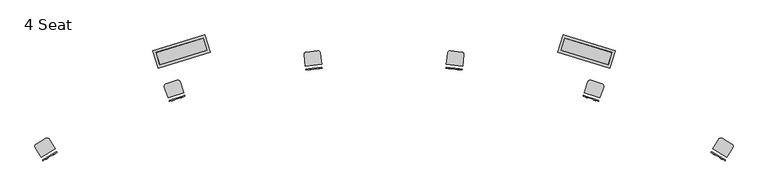
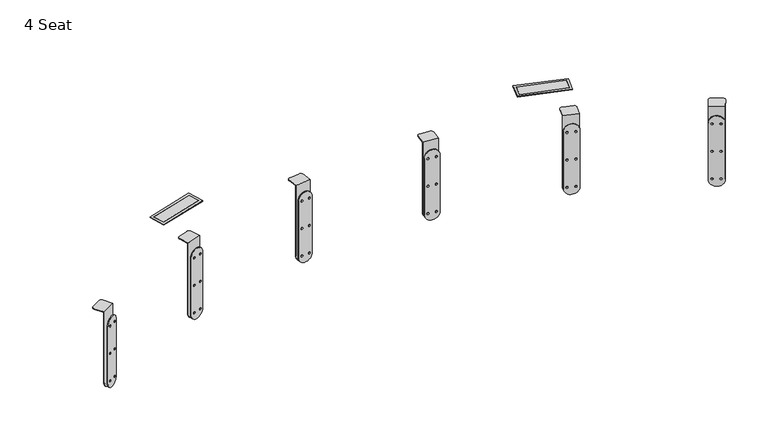
"""IFC4 building model written with IfcOpenShell, lengths in millimetres: furniture geometry, 4 Seat."""

from ifc_helpers import new_model, si_unit, point, frame, frame_2d, origin, place, context, project, spatial, polyline, circle_curve, trimmed, segment, composite_curve, outline, extrude, source, transform, mapped, element, save
from ifc_brep_helpers import plane_surface, cylinder_surface, advanced_brep


def furniture_4_seat_829769fd(model_context):
    return source(origin(), model_context, "Body", "SolidModel", [
        advanced_brep(
        [(1327.017289, -324.4928006, 399.2581955), (1327.017289, -324.4928006, 718.2448038), (1272.4432158, -292.0284585, 718.2448038), (1272.4432158, -292.0284585, 399.2581955), (1273.8716446, -289.6272032, 399.2581955), (1273.8716446, -289.6272032, 715.7048038), (1328.4457178, -322.0915452, 715.7048038), (1328.4457178, -322.0915452, 399.2581955), (1294.6487901, -254.6998525, 718.2448038), (1294.6487901, -254.6998525, 715.7048038), (1349.2228633, -287.1641946, 715.7048038), (1349.2228633, -287.1641946, 718.2448038), (1345.685312, -273.2380705, 718.2448038), (1308.5749141, -251.1623012, 718.2448038), (1308.5749141, -251.1623012, 715.7048038), (1345.685312, -273.2380705, 715.7048038)],
        [
            (0, 1),
            (1, 2),
            (2, 3),
            (3, 0, circle_curve(frame((1299.7302524, -308.2606296, 399.2581955), z_axis=(-0.5112486592740495, -0.8594328411170282, 0.0), x_axis=(-0.8594328411170282, 0.5112486592740495, 0.0)), 31.7500511)),
            (4, 5),
            (5, 6),
            (6, 7),
            (7, 4, circle_curve(frame((1301.1586812, -305.8593742, 399.2581955), z_axis=(0.5112486592740495, 0.8594328411170282, 0.0), x_axis=(-0.8594328411170282, 0.5112486592740495, 0.0)), 31.7500511)),
            (3, 4),
            (7, 0),
            (2, 8),
            (8, 9),
            (9, 5),
            (6, 10),
            (10, 11),
            (11, 1),
            (11, 12, circle_curve(frame((1340.4910256, -281.9699082, 718.2448038), z_axis=(0.0, 0.0, 1.0), x_axis=(-0.8594328411170282, 0.5112486592740495, 0.0)), 10.16)),
            (12, 13),
            (13, 8, circle_curve(frame((1303.3806278, -259.8941389, 718.2448038), z_axis=(0.0, 0.0, 1.0), x_axis=(-0.8594328411170282, 0.5112486592740495, 0.0)), 10.16)),
            (9, 14, circle_curve(frame((1303.3806278, -259.8941389, 715.7048038), z_axis=(0.0, 0.0, -1.0), x_axis=(-0.8594328411170282, 0.5112486592740495, 0.0)), 10.16)),
            (14, 15),
            (15, 10, circle_curve(frame((1340.4910256, -281.9699082, 715.7048038), z_axis=(0.0, 0.0, -1.0), x_axis=(-0.8594328411170282, 0.5112486592740495, 0.0)), 10.16)),
            (12, 15),
            (14, 13),
        ],
        [
            plane_surface(frame((1272.4432158, -292.0284585, 399.2581955), z_axis=(-0.5112486592740495, -0.8594328411170282, 0.0), x_axis=(0.0, 0.0, 1.0))),
            plane_surface(frame((1273.8716446, -289.6272032, 399.2581955), z_axis=(0.5112486592740495, 0.8594328411170282, 0.0), x_axis=(0.0, 0.0, -1.0))),
            cylinder_surface(frame((1301.1586812, -305.8593742, 399.2581955), z_axis=(-0.5112486592740495, -0.8594328411170282, 0.0), x_axis=(-0.8594328411170282, 0.5112486592740495, 0.0)), 31.7500511),
            plane_surface(frame((1272.4432158, -292.0284585, 399.2581955), z_axis=(-0.8594328411170282, 0.5112486592740495, 0.0), x_axis=(0.5112486592740495, 0.8594328411170282, 0.0))),
            plane_surface(frame((1327.017289, -324.4928006, 718.2448038), z_axis=(0.8594328411170282, -0.5112486592740495, 0.0), x_axis=(0.5112486592740495, 0.8594328411170282, 0.0))),
            plane_surface(frame((1272.4432158, -292.0284585, 718.2448038), z_axis=(0.0, 0.0, 1.0000000000000002), x_axis=(0.5112486592740495, 0.8594328411170282, 0.0))),
            plane_surface(frame((1328.4457178, -322.0915452, 715.7048038), z_axis=(0.0, 0.0, -1.0000000000000002), x_axis=(0.5112486592740481, 0.8594328411170291, 0.0))),
            plane_surface(frame((1308.5749141, -251.1623012, 718.2448038), z_axis=(0.5112486592740482, 0.859432841117029, 0.0), x_axis=(0.0, 0.0, -1.0))),
            cylinder_surface(frame((1303.3806278, -259.8941389, 715.7048038), z_axis=(0.0, 0.0, 1.0), x_axis=(-0.8594328411170282, 0.5112486592740495, 0.0)), 10.16),
            cylinder_surface(frame((1340.4910256, -281.9699082, 715.7048038), z_axis=(0.0, 0.0, 1.0), x_axis=(-0.8594328411170282, 0.5112486592740495, 0.0)), 10.16),
        ],
        [
            (0, [[1, 2, 3, 4]]),
            (1, [[5, 6, 7, 8]]),
            (2, [[9, -8, 10, -4]]),
            (3, [[11, 12, 13, -5, -9, -3]]),
            (4, [[-10, -7, 14, 15, 16, -1]]),
            (5, [[17, 18, 19, -11, -2, -16]]),
            (6, [[-14, -6, -13, 20, 21, 22]]),
            (7, [[23, -21, 24, -18]]),
            (8, [[-24, -20, -12, -19]]),
            (9, [[-15, -22, -23, -17]]),
        ],
    ),
        extrude(outline(composite_curve([segment(trimmed(circle_curve(frame_2d((0.0, 4.064)), 4.064), [point((0.0, 8.128))], [point((0.0, 0.0))], False, "CARTESIAN"), True, "CONTINUOUS"), segment(trimmed(circle_curve(frame_2d((0.0, 4.064)), 4.064), [point((0.0, 0.0))], [point((0.0, 8.128))], False, "CARTESIAN"), True, "CONTINUOUS")], self_intersect=False)), frame((1301.7523497, -327.8977432, 402.169673), z_axis=(0.5112486592740495, 0.8594328411170282, 0.0), x_axis=(0.0, 0.0, 1.0)), (0.0, 0.0, 1.0), 1.1486387),
        extrude(outline(composite_curve([segment(trimmed(circle_curve(frame_2d((0.0, -29.288744)), 4.064), [point((0.0, -33.352744))], [point((0.0, -25.224744))], False, "CARTESIAN"), True, "CONTINUOUS"), segment(trimmed(circle_curve(frame_2d((0.0, -29.288744)), 4.064), [point((0.0, -25.224744))], [point((0.0, -33.352744))], False, "CARTESIAN"), True, "CONTINUOUS")], self_intersect=False)), frame((1301.7523497, -327.8977432, 402.169673), z_axis=(0.5112486592740495, 0.8594328411170282, 0.0), x_axis=(0.0, 0.0, 1.0)), (0.0, 0.0, 1.0), 1.1486387),
        extrude(outline(composite_curve([segment(trimmed(circle_curve(frame_2d((248.0278587, 4.064)), 4.064), [point((248.0278587, 8.128))], [point((248.0278587, 0.0))], False, "CARTESIAN"), True, "CONTINUOUS"), segment(trimmed(circle_curve(frame_2d((248.0278587, 4.064)), 4.064), [point((248.0278587, 0.0))], [point((248.0278587, 8.128))], False, "CARTESIAN"), True, "CONTINUOUS")], self_intersect=False)), frame((1301.7523497, -327.8977432, 402.169673), z_axis=(0.5112486592740495, 0.8594328411170282, 0.0), x_axis=(0.0, 0.0, 1.0)), (0.0, 0.0, 1.0), 1.1486387),
        extrude(outline(composite_curve([segment(trimmed(circle_curve(frame_2d((248.0278587, -29.288744)), 4.064), [point((248.0278587, -33.352744))], [point((248.0278587, -25.224744))], False, "CARTESIAN"), True, "CONTINUOUS"), segment(trimmed(circle_curve(frame_2d((248.0278587, -29.288744)), 4.064), [point((248.0278587, -25.224744))], [point((248.0278587, -33.352744))], False, "CARTESIAN"), True, "CONTINUOUS")], self_intersect=False)), frame((1301.7523497, -327.8977432, 402.169673), z_axis=(0.5112486592740495, 0.8594328411170282, 0.0), x_axis=(0.0, 0.0, 1.0)), (0.0, 0.0, 1.0), 1.1486387),
        extrude(outline(composite_curve([segment(trimmed(circle_curve(frame_2d((124.0139294, 4.064)), 4.064), [point((124.0139294, 8.128))], [point((124.0139294, 0.0))], False, "CARTESIAN"), True, "CONTINUOUS"), segment(trimmed(circle_curve(frame_2d((124.0139294, 4.064)), 4.064), [point((124.0139294, 0.0))], [point((124.0139294, 8.128))], False, "CARTESIAN"), True, "CONTINUOUS")], self_intersect=False)), frame((1301.7523497, -327.8977432, 402.169673), z_axis=(0.5112486592740495, 0.8594328411170282, 0.0), x_axis=(0.0, 0.0, 1.0)), (0.0, 0.0, 1.0), 1.1486387),
        extrude(outline(composite_curve([segment(trimmed(circle_curve(frame_2d((124.0139294, -29.288744)), 4.064), [point((124.0139294, -33.352744))], [point((124.0139294, -25.224744))], False, "CARTESIAN"), True, "CONTINUOUS"), segment(trimmed(circle_curve(frame_2d((124.0139294, -29.288744)), 4.064), [point((124.0139294, -25.224744))], [point((124.0139294, -33.352744))], False, "CARTESIAN"), True, "CONTINUOUS")], self_intersect=False)), frame((1301.7523497, -327.8977432, 402.169673), z_axis=(0.5112486592740495, 0.8594328411170282, 0.0), x_axis=(0.0, 0.0, 1.0)), (0.0, 0.0, 1.0), 1.1486387),
        extrude(outline(composite_curve([segment(polyline([(0.0, 63.5001022), (253.8508137, 63.5001022)]), True, "CONTINUOUS"), segment(trimmed(circle_curve(frame_2d((253.8508137, 31.7500511)), 31.7500511), [point((253.8508137, 63.5001022))], [point((253.8508137, 0.0))], False, "CARTESIAN"), True, "CONTINUOUS"), segment(polyline([(253.8508137, 0.0), (0.0, 0.0)]), True, "CONTINUOUS"), segment(trimmed(circle_curve(frame_2d((0.0, 31.7500511)), 31.7500511), [point((0.0, 0.0))], [point((0.0, 63.5001022))], False, "CARTESIAN"), True, "CONTINUOUS")], self_intersect=False)), frame((1264.9307505, -304.6572631, 399.2581955), z_axis=(0.5112486592740495, 0.8594328411170282, 0.0), x_axis=(0.0, 0.0, 1.0)), (0.0, 0.0, 1.0), 2.8443472),
        advanced_brep(
        [(835.5111874, -93.7500274, 399.2581955), (835.5111874, -93.7500274, 718.2448038), (775.2854411, -73.6223737, 718.2448038), (775.2854411, -73.6223737, 399.2581955), (776.1710564, -70.9724451, 399.2581955), (776.1710564, -70.9724451, 715.7048038), (836.3968028, -91.1000989, 715.7048038), (836.3968028, -91.1000989, 399.2581955), (789.0527341, -32.4280294, 718.2448038), (789.0527341, -32.4280294, 715.7048038), (849.2784805, -52.5556832, 715.7048038), (849.2784805, -52.5556832, 718.2448038), (842.862796, -39.6991598, 718.2448038), (801.9092575, -26.0123449, 718.2448038), (801.9092575, -26.0123449, 715.7048038), (842.862796, -39.6991598, 715.7048038)],
        [
            (0, 1),
            (1, 2),
            (2, 3),
            (3, 0, circle_curve(frame((805.3983143, -83.6862006, 399.2581955), z_axis=(-0.3169704156658546, -0.9484354251042163, 0.0), x_axis=(-0.9484354251042163, 0.3169704156658546, 0.0)), 31.7500511)),
            (4, 5),
            (5, 6),
            (6, 7),
            (7, 4, circle_curve(frame((806.2839296, -81.036272, 399.2581955), z_axis=(0.3169704156658546, 0.9484354251042163, 0.0), x_axis=(-0.9484354251042163, 0.3169704156658546, 0.0)), 31.7500511)),
            (3, 4),
            (7, 0),
            (2, 8),
            (8, 9),
            (9, 5),
            (6, 10),
            (10, 11),
            (11, 1),
            (11, 12, circle_curve(frame((839.6423766, -49.3352638, 718.2448038), z_axis=(0.0, 0.0, 1.0), x_axis=(-0.9484354251042163, 0.3169704156658546, 0.0)), 10.16)),
            (12, 13),
            (13, 8, circle_curve(frame((798.688838, -35.6484488, 718.2448038), z_axis=(0.0, 0.0, 1.0), x_axis=(-0.9484354251042163, 0.3169704156658546, 0.0)), 10.16)),
            (9, 14, circle_curve(frame((798.688838, -35.6484488, 715.7048038), z_axis=(0.0, 0.0, -1.0), x_axis=(-0.9484354251042163, 0.3169704156658546, 0.0)), 10.16)),
            (14, 15),
            (15, 10, circle_curve(frame((839.6423766, -49.3352638, 715.7048038), z_axis=(0.0, 0.0, -1.0), x_axis=(-0.9484354251042163, 0.3169704156658546, 0.0)), 10.16)),
            (12, 15),
            (14, 13),
        ],
        [
            plane_surface(frame((775.2854411, -73.6223737, 399.2581955), z_axis=(-0.3169704156658546, -0.9484354251042163, 0.0), x_axis=(0.0, 0.0, 1.0))),
            plane_surface(frame((776.1710564, -70.9724451, 399.2581955), z_axis=(0.3169704156658546, 0.9484354251042163, 0.0), x_axis=(0.0, 0.0, -1.0))),
            cylinder_surface(frame((806.2839296, -81.036272, 399.2581955), z_axis=(-0.3169704156658546, -0.9484354251042163, 0.0), x_axis=(-0.9484354251042163, 0.3169704156658546, 0.0)), 31.7500511),
            plane_surface(frame((775.2854411, -73.6223737, 399.2581955), z_axis=(-0.9484354251042163, 0.3169704156658546, 0.0), x_axis=(0.3169704156658546, 0.9484354251042163, 0.0))),
            plane_surface(frame((835.5111874, -93.7500274, 718.2448038), z_axis=(0.9484354251042163, -0.3169704156658546, 0.0), x_axis=(0.3169704156658546, 0.9484354251042163, 0.0))),
            plane_surface(frame((775.2854411, -73.6223737, 718.2448038), z_axis=(0.0, 0.0, 1.0000000000000002), x_axis=(0.3169704156658546, 0.9484354251042163, 0.0))),
            plane_surface(frame((836.3968028, -91.1000989, 715.7048038), z_axis=(0.0, 0.0, -1.0000000000000002), x_axis=(0.31697041566585304, 0.9484354251042169, 0.0))),
            plane_surface(frame((801.9092575, -26.0123449, 718.2448038), z_axis=(0.3169704156658531, 0.9484354251042167, 0.0), x_axis=(0.0, 0.0, -1.0))),
            cylinder_surface(frame((798.688838, -35.6484488, 715.7048038), z_axis=(0.0, 0.0, 1.0), x_axis=(-0.9484354251042163, 0.3169704156658546, 0.0)), 10.16),
            cylinder_surface(frame((839.6423766, -49.3352638, 715.7048038), z_axis=(0.0, 0.0, 1.0), x_axis=(-0.9484354251042163, 0.3169704156658546, 0.0)), 10.16),
        ],
        [
            (0, [[1, 2, 3, 4]]),
            (1, [[5, 6, 7, 8]]),
            (2, [[9, -8, 10, -4]]),
            (3, [[11, 12, 13, -5, -9, -3]]),
            (4, [[-10, -7, 14, 15, 16, -1]]),
            (5, [[17, 18, 19, -11, -2, -16]]),
            (6, [[-14, -6, -13, 20, 21, 22]]),
            (7, [[23, -21, 24, -18]]),
            (8, [[-24, -20, -12, -19]]),
            (9, [[-15, -22, -23, -17]]),
        ],
    ),
        extrude(outline(composite_curve([segment(trimmed(circle_curve(frame_2d((0.0, 4.0639999)), 4.064), [point((0.0, 8.128))], [point((0.0, 0.0))], False, "CARTESIAN"), True, "CONTINUOUS"), segment(trimmed(circle_curve(frame_2d((0.0, 4.0639999)), 4.064), [point((0.0, 0.0))], [point((0.0, 8.128))], False, "CARTESIAN"), True, "CONTINUOUS")], self_intersect=False)), frame((811.5465696, -102.4453068, 402.169673), z_axis=(0.3169704156658546, 0.9484354251042163, 0.0), x_axis=(0.0, 0.0, 1.0)), (0.0, 0.0, 1.0), 1.1486387),
        extrude(outline(composite_curve([segment(trimmed(circle_curve(frame_2d((0.0, -29.288744)), 4.064), [point((0.0, -33.3527441))], [point((0.0, -25.2247441))], False, "CARTESIAN"), True, "CONTINUOUS"), segment(trimmed(circle_curve(frame_2d((0.0, -29.288744)), 4.064), [point((0.0, -25.2247441))], [point((0.0, -33.3527441))], False, "CARTESIAN"), True, "CONTINUOUS")], self_intersect=False)), frame((811.5465696, -102.4453068, 402.169673), z_axis=(0.3169704156658546, 0.9484354251042163, 0.0), x_axis=(0.0, 0.0, 1.0)), (0.0, 0.0, 1.0), 1.1486387),
        extrude(outline(composite_curve([segment(trimmed(circle_curve(frame_2d((248.0278587, 4.0639999)), 4.064), [point((248.0278587, 8.128))], [point((248.0278587, 0.0))], False, "CARTESIAN"), True, "CONTINUOUS"), segment(trimmed(circle_curve(frame_2d((248.0278587, 4.0639999)), 4.064), [point((248.0278587, 0.0))], [point((248.0278587, 8.128))], False, "CARTESIAN"), True, "CONTINUOUS")], self_intersect=False)), frame((811.5465696, -102.4453068, 402.169673), z_axis=(0.3169704156658546, 0.9484354251042163, 0.0), x_axis=(0.0, 0.0, 1.0)), (0.0, 0.0, 1.0), 1.1486387),
        extrude(outline(composite_curve([segment(trimmed(circle_curve(frame_2d((248.0278587, -29.288744)), 4.064), [point((248.0278587, -33.3527441))], [point((248.0278587, -25.2247441))], False, "CARTESIAN"), True, "CONTINUOUS"), segment(trimmed(circle_curve(frame_2d((248.0278587, -29.288744)), 4.064), [point((248.0278587, -25.2247441))], [point((248.0278587, -33.3527441))], False, "CARTESIAN"), True, "CONTINUOUS")], self_intersect=False)), frame((811.5465696, -102.4453068, 402.169673), z_axis=(0.3169704156658546, 0.9484354251042163, 0.0), x_axis=(0.0, 0.0, 1.0)), (0.0, 0.0, 1.0), 1.1486387),
        extrude(outline(composite_curve([segment(trimmed(circle_curve(frame_2d((124.0139294, 4.0639999)), 4.064), [point((124.0139294, 8.128))], [point((124.0139294, 0.0))], False, "CARTESIAN"), True, "CONTINUOUS"), segment(trimmed(circle_curve(frame_2d((124.0139294, 4.0639999)), 4.064), [point((124.0139294, 0.0))], [point((124.0139294, 8.128))], False, "CARTESIAN"), True, "CONTINUOUS")], self_intersect=False)), frame((811.5465696, -102.4453068, 402.169673), z_axis=(0.3169704156658546, 0.9484354251042163, 0.0), x_axis=(0.0, 0.0, 1.0)), (0.0, 0.0, 1.0), 1.1486387),
        extrude(outline(composite_curve([segment(trimmed(circle_curve(frame_2d((124.0139294, -29.288744)), 4.064), [point((124.0139294, -33.3527441))], [point((124.0139294, -25.2247441))], False, "CARTESIAN"), True, "CONTINUOUS"), segment(trimmed(circle_curve(frame_2d((124.0139294, -29.288744)), 4.064), [point((124.0139294, -25.2247441))], [point((124.0139294, -33.3527441))], False, "CARTESIAN"), True, "CONTINUOUS")], self_intersect=False)), frame((811.5465696, -102.4453068, 402.169673), z_axis=(0.3169704156658546, 0.9484354251042163, 0.0), x_axis=(0.0, 0.0, 1.0)), (0.0, 0.0, 1.0), 1.1486387),
        extrude(outline(composite_curve([segment(polyline([(0.0, 63.5001022), (253.8508137, 63.5001022)]), True, "CONTINUOUS"), segment(trimmed(circle_curve(frame_2d((253.8508137, 31.7500511)), 31.7500511), [point((253.8508137, 63.5001022))], [point((253.8508137, 0.0))], False, "CARTESIAN"), True, "CONTINUOUS"), segment(polyline([(253.8508137, 0.0), (0.0, 0.0)]), True, "CONTINUOUS"), segment(trimmed(circle_curve(frame_2d((0.0, 31.7500511)), 31.7500511), [point((0.0, 0.0))], [point((0.0, 63.5001022))], False, "CARTESIAN"), True, "CONTINUOUS")], self_intersect=False)), frame((770.6277677, -87.5590131, 399.2581955), z_axis=(0.3169704156658546, 0.9484354251042163, 0.0), x_axis=(0.0, 0.0, 1.0)), (0.0, 0.0, 1.0), 2.8443472),
        advanced_brep(
        [(304.4839354, 28.350216, 399.2581955), (304.4839354, 28.350216, 718.2448038), (241.3501781, 35.161358, 718.2448038), (241.3501781, 35.161358, 399.2581955), (241.6498678, 37.9392389, 399.2581955), (241.6498678, 37.9392389, 715.7048038), (304.7836251, 31.1280968, 715.7048038), (304.7836251, 31.1280968, 399.2581955), (246.0089917, 78.3447786, 718.2448038), (246.0089917, 78.3447786, 715.7048038), (309.142749, 71.5336365, 715.7048038), (309.142749, 71.5336365, 718.2448038), (300.1311451, 82.7248024, 718.2448038), (257.2001576, 87.3563825, 718.2448038), (257.2001576, 87.3563825, 715.7048038), (300.1311451, 82.7248024, 715.7048038)],
        [
            (0, 1),
            (1, 2),
            (2, 3),
            (3, 0, circle_curve(frame((272.9170567, 31.755787, 399.2581955), z_axis=(-0.10726190670279027, -0.9942307998500559, 0.0), x_axis=(-0.9942307998500559, 0.10726190670279027, 0.0)), 31.7500511)),
            (4, 5),
            (5, 6),
            (6, 7),
            (7, 4, circle_curve(frame((273.2167465, 34.5336678, 399.2581955), z_axis=(0.10726190670279027, 0.9942307998500559, 0.0), x_axis=(-0.9942307998500559, 0.10726190670279027, 0.0)), 31.7500511)),
            (3, 4),
            (7, 0),
            (2, 8),
            (8, 9),
            (9, 5),
            (6, 10),
            (10, 11),
            (11, 1),
            (11, 12, circle_curve(frame((299.0413641, 72.6234175, 718.2448038), z_axis=(0.0, 0.0, 1.0), x_axis=(-0.9942307998500559, 0.10726190670279027, 0.0)), 10.16)),
            (12, 13),
            (13, 8, circle_curve(frame((256.1103766, 77.2549976, 718.2448038), z_axis=(0.0, 0.0, 1.0), x_axis=(-0.9942307998500559, 0.10726190670279027, 0.0)), 10.16)),
            (9, 14, circle_curve(frame((256.1103766, 77.2549976, 715.7048038), z_axis=(0.0, 0.0, -1.0), x_axis=(-0.9942307998500559, 0.10726190670279027, 0.0)), 10.16)),
            (14, 15),
            (15, 10, circle_curve(frame((299.0413641, 72.6234175, 715.7048038), z_axis=(0.0, 0.0, -1.0), x_axis=(-0.9942307998500559, 0.10726190670279027, 0.0)), 10.16)),
            (12, 15),
            (14, 13),
        ],
        [
            plane_surface(frame((241.3501781, 35.161358, 399.2581955), z_axis=(-0.10726190670279027, -0.9942307998500559, 0.0), x_axis=(0.0, 0.0, 1.0))),
            plane_surface(frame((241.6498678, 37.9392389, 399.2581955), z_axis=(0.10726190670279027, 0.9942307998500559, 0.0), x_axis=(0.0, 0.0, -1.0))),
            cylinder_surface(frame((273.2167465, 34.5336678, 399.2581955), z_axis=(-0.10726190670279027, -0.9942307998500559, 0.0), x_axis=(-0.9942307998500559, 0.10726190670279027, 0.0)), 31.7500511),
            plane_surface(frame((241.3501781, 35.161358, 399.2581955), z_axis=(-0.9942307998500559, 0.10726190670279027, 0.0), x_axis=(0.10726190670279027, 0.9942307998500559, 0.0))),
            plane_surface(frame((304.4839354, 28.350216, 718.2448038), z_axis=(0.9942307998500559, -0.10726190670279027, 0.0), x_axis=(0.10726190670279027, 0.9942307998500559, 0.0))),
            plane_surface(frame((241.3501781, 35.161358, 718.2448038), z_axis=(0.0, 0.0, 1.0), x_axis=(0.10726190670279027, 0.9942307998500559, 0.0))),
            plane_surface(frame((304.7836251, 31.1280968, 715.7048038), z_axis=(0.0, 0.0, -1.0000000000000002), x_axis=(0.10726190670278862, 0.9942307998500561, 0.0))),
            plane_surface(frame((257.2001576, 87.3563825, 718.2448038), z_axis=(0.10726190670278872, 0.9942307998500561, 0.0), x_axis=(0.0, 0.0, -1.0))),
            cylinder_surface(frame((256.1103766, 77.2549976, 715.7048038), z_axis=(0.0, 0.0, 1.0), x_axis=(-0.9942307998500559, 0.10726190670279027, 0.0)), 10.16),
            cylinder_surface(frame((299.0413641, 72.6234175, 715.7048038), z_axis=(0.0, 0.0, 1.0), x_axis=(-0.9942307998500559, 0.10726190670279027, 0.0)), 10.16),
        ],
        [
            (0, [[1, 2, 3, 4]]),
            (1, [[5, 6, 7, 8]]),
            (2, [[9, -8, 10, -4]]),
            (3, [[11, 12, 13, -5, -9, -3]]),
            (4, [[-10, -7, 14, 15, 16, -1]]),
            (5, [[17, 18, 19, -11, -2, -16]]),
            (6, [[-14, -6, -13, 20, 21, 22]]),
            (7, [[23, -21, 24, -18]]),
            (8, [[-24, -20, -12, -19]]),
            (9, [[-15, -22, -23, -17]]),
        ],
    ),
        extrude(outline(composite_curve([segment(trimmed(circle_curve(frame_2d((0.0, 4.064)), 4.064), [point((0.0, 8.1280001))], [point((0.0, 0.0))], False, "CARTESIAN"), True, "CONTINUOUS"), segment(trimmed(circle_curve(frame_2d((0.0, 4.064)), 4.064), [point((0.0, 0.0))], [point((0.0, 8.1280001))], False, "CARTESIAN"), True, "CONTINUOUS")], self_intersect=False)), frame((282.927067, 14.7409463, 402.169673), z_axis=(0.10726190670279027, 0.9942307998500559, 0.0), x_axis=(0.0, 0.0, 1.0)), (0.0, 0.0, 1.0), 1.1486387),
        extrude(outline(composite_curve([segment(trimmed(circle_curve(frame_2d((0.0, -29.2887439)), 4.064), [point((0.0, -33.352744))], [point((0.0, -25.224744))], False, "CARTESIAN"), True, "CONTINUOUS"), segment(trimmed(circle_curve(frame_2d((0.0, -29.2887439)), 4.064), [point((0.0, -25.224744))], [point((0.0, -33.352744))], False, "CARTESIAN"), True, "CONTINUOUS")], self_intersect=False)), frame((282.927067, 14.7409463, 402.169673), z_axis=(0.10726190670279027, 0.9942307998500559, 0.0), x_axis=(0.0, 0.0, 1.0)), (0.0, 0.0, 1.0), 1.1486387),
        extrude(outline(composite_curve([segment(trimmed(circle_curve(frame_2d((248.0278587, 4.064)), 4.064), [point((248.0278587, 8.1280001))], [point((248.0278587, 0.0))], False, "CARTESIAN"), True, "CONTINUOUS"), segment(trimmed(circle_curve(frame_2d((248.0278587, 4.064)), 4.064), [point((248.0278587, 0.0))], [point((248.0278587, 8.1280001))], False, "CARTESIAN"), True, "CONTINUOUS")], self_intersect=False)), frame((282.927067, 14.7409463, 402.169673), z_axis=(0.10726190670279027, 0.9942307998500559, 0.0), x_axis=(0.0, 0.0, 1.0)), (0.0, 0.0, 1.0), 1.1486387),
        extrude(outline(composite_curve([segment(trimmed(circle_curve(frame_2d((248.0278587, -29.2887439)), 4.064), [point((248.0278587, -33.352744))], [point((248.0278587, -25.224744))], False, "CARTESIAN"), True, "CONTINUOUS"), segment(trimmed(circle_curve(frame_2d((248.0278587, -29.2887439)), 4.064), [point((248.0278587, -25.224744))], [point((248.0278587, -33.352744))], False, "CARTESIAN"), True, "CONTINUOUS")], self_intersect=False)), frame((282.927067, 14.7409463, 402.169673), z_axis=(0.10726190670279027, 0.9942307998500559, 0.0), x_axis=(0.0, 0.0, 1.0)), (0.0, 0.0, 1.0), 1.1486387),
        extrude(outline(composite_curve([segment(trimmed(circle_curve(frame_2d((124.0139294, 4.064)), 4.064), [point((124.0139294, 8.1280001))], [point((124.0139294, 0.0))], False, "CARTESIAN"), True, "CONTINUOUS"), segment(trimmed(circle_curve(frame_2d((124.0139294, 4.064)), 4.064), [point((124.0139294, 0.0))], [point((124.0139294, 8.1280001))], False, "CARTESIAN"), True, "CONTINUOUS")], self_intersect=False)), frame((282.927067, 14.7409463, 402.169673), z_axis=(0.10726190670279027, 0.9942307998500559, 0.0), x_axis=(0.0, 0.0, 1.0)), (0.0, 0.0, 1.0), 1.1486387),
        extrude(outline(composite_curve([segment(trimmed(circle_curve(frame_2d((124.0139294, -29.2887439)), 4.064), [point((124.0139294, -33.352744))], [point((124.0139294, -25.224744))], False, "CARTESIAN"), True, "CONTINUOUS"), segment(trimmed(circle_curve(frame_2d((124.0139294, -29.2887439)), 4.064), [point((124.0139294, -25.224744))], [point((124.0139294, -33.352744))], False, "CARTESIAN"), True, "CONTINUOUS")], self_intersect=False)), frame((282.927067, 14.7409463, 402.169673), z_axis=(0.10726190670279027, 0.9942307998500559, 0.0), x_axis=(0.0, 0.0, 1.0)), (0.0, 0.0, 1.0), 1.1486387),
        extrude(outline(composite_curve([segment(polyline([(0.0, 63.5001021), (253.8508137, 63.5001021)]), True, "CONTINUOUS"), segment(trimmed(circle_curve(frame_2d((253.8508137, 31.750051)), 31.7500511), [point((253.8508137, 63.5001021))], [point((253.8508137, 0.0))], False, "CARTESIAN"), True, "CONTINUOUS"), segment(polyline([(253.8508137, 0.0), (0.0, 0.0)]), True, "CONTINUOUS"), segment(trimmed(circle_curve(frame_2d((0.0, 31.750051)), 31.7500511), [point((0.0, 0.0))], [point((0.0, 63.5001021))], False, "CARTESIAN"), True, "CONTINUOUS")], self_intersect=False)), frame((239.7740344, 20.5517854, 399.2581955), z_axis=(0.10726190670279027, 0.9942307998500559, 0.0), x_axis=(0.0, 0.0, 1.0)), (0.0, 0.0, 1.0), 2.8443472),
        advanced_brep(
        [(-1327.017289, -324.4928006, 399.2581955), (-1272.4432158, -292.0284585, 399.2581955), (-1272.4432158, -292.0284585, 718.2448038), (-1327.017289, -324.4928006, 718.2448038), (-1273.8716446, -289.6272032, 399.2581955), (-1328.4457178, -322.0915452, 399.2581955), (-1328.4457178, -322.0915452, 715.7048038), (-1273.8716446, -289.6272032, 715.7048038), (-1294.6487901, -254.6998525, 715.7048038), (-1294.6487901, -254.6998525, 718.2448038), (-1349.2228633, -287.1641946, 718.2448038), (-1349.2228633, -287.1641946, 715.7048038), (-1308.5749141, -251.1623012, 718.2448038), (-1345.685312, -273.2380705, 718.2448038), (-1345.685312, -273.2380705, 715.7048038), (-1308.5749141, -251.1623012, 715.7048038)],
        [
            (0, 1, circle_curve(frame((-1299.7302524, -308.2606296, 399.2581955), z_axis=(0.5112486592740495, -0.8594328411170282, 0.0), x_axis=(0.8594328411170282, 0.5112486592740495, 0.0)), 31.7500511)),
            (1, 2),
            (2, 3),
            (3, 0),
            (4, 5, circle_curve(frame((-1301.1586812, -305.8593742, 399.2581955), z_axis=(-0.5112486592740495, 0.8594328411170282, 0.0), x_axis=(0.8594328411170282, 0.5112486592740495, 0.0)), 31.7500511)),
            (5, 6),
            (6, 7),
            (7, 4),
            (0, 5),
            (4, 1),
            (7, 8),
            (8, 9),
            (9, 2),
            (3, 10),
            (10, 11),
            (11, 6),
            (9, 12, circle_curve(frame((-1303.3806278, -259.8941389, 718.2448038), z_axis=(0.0, 0.0, 1.0), x_axis=(0.8594328411170282, 0.5112486592740495, 0.0)), 10.16)),
            (12, 13),
            (13, 10, circle_curve(frame((-1340.4910256, -281.9699082, 718.2448038), z_axis=(0.0, 0.0, 1.0), x_axis=(0.8594328411170282, 0.5112486592740495, 0.0)), 10.16)),
            (11, 14, circle_curve(frame((-1340.4910256, -281.9699082, 715.7048038), z_axis=(0.0, 0.0, -1.0), x_axis=(0.8594328411170282, 0.5112486592740495, 0.0)), 10.16)),
            (14, 15),
            (15, 8, circle_curve(frame((-1303.3806278, -259.8941389, 715.7048038), z_axis=(0.0, 0.0, -1.0), x_axis=(0.8594328411170282, 0.5112486592740495, 0.0)), 10.16)),
            (12, 15),
            (14, 13),
        ],
        [
            plane_surface(frame((-1272.4432158, -292.0284585, 399.2581955), z_axis=(0.5112486592740495, -0.8594328411170282, 0.0), x_axis=(0.0, 0.0, 1.0))),
            plane_surface(frame((-1273.8716446, -289.6272032, 399.2581955), z_axis=(-0.5112486592740495, 0.8594328411170282, 0.0), x_axis=(0.0, 0.0, -1.0))),
            cylinder_surface(frame((-1301.1586812, -305.8593742, 399.2581955), z_axis=(0.5112486592740495, -0.8594328411170282, 0.0), x_axis=(0.8594328411170282, 0.5112486592740495, 0.0)), 31.7500511),
            plane_surface(frame((-1272.4432158, -292.0284585, 399.2581955), z_axis=(0.8594328411170282, 0.5112486592740495, 0.0), x_axis=(-0.5112486592740495, 0.8594328411170282, 0.0))),
            plane_surface(frame((-1327.017289, -324.4928006, 718.2448038), z_axis=(-0.8594328411170282, -0.5112486592740495, 0.0), x_axis=(-0.5112486592740495, 0.8594328411170282, 0.0))),
            plane_surface(frame((-1272.4432158, -292.0284585, 718.2448038), z_axis=(0.0, 0.0, 1.0000000000000002), x_axis=(-0.5112486592740495, 0.8594328411170282, 0.0))),
            plane_surface(frame((-1328.4457178, -322.0915452, 715.7048038), z_axis=(0.0, 0.0, -1.0000000000000002), x_axis=(-0.5112486592740481, 0.8594328411170291, 0.0))),
            plane_surface(frame((-1308.5749141, -251.1623012, 718.2448038), z_axis=(-0.5112486592740482, 0.859432841117029, 0.0), x_axis=(0.0, 0.0, -1.0))),
            cylinder_surface(frame((-1303.3806278, -259.8941389, 715.7048038), z_axis=(0.0, 0.0, 1.0), x_axis=(0.8594328411170282, 0.5112486592740495, 0.0)), 10.16),
            cylinder_surface(frame((-1340.4910256, -281.9699082, 715.7048038), z_axis=(0.0, 0.0, 1.0), x_axis=(0.8594328411170282, 0.5112486592740495, 0.0)), 10.16),
        ],
        [
            (0, [[1, 2, 3, 4]]),
            (1, [[5, 6, 7, 8]]),
            (2, [[-1, 9, -5, 10]]),
            (3, [[-2, -10, -8, 11, 12, 13]]),
            (4, [[-4, 14, 15, 16, -6, -9]]),
            (5, [[-14, -3, -13, 17, 18, 19]]),
            (6, [[20, 21, 22, -11, -7, -16]]),
            (7, [[-18, 23, -21, 24]]),
            (8, [[-17, -12, -22, -23]]),
            (9, [[-19, -24, -20, -15]]),
        ],
    ),
        extrude(outline(composite_curve([segment(trimmed(circle_curve(frame_2d((0.0, -4.064)), 4.064), [point((0.0, -8.128))], [point((0.0, 0.0))], False, "CARTESIAN"), True, "CONTINUOUS"), segment(trimmed(circle_curve(frame_2d((0.0, -4.064)), 4.064), [point((0.0, 0.0))], [point((0.0, -8.128))], False, "CARTESIAN"), True, "CONTINUOUS")], self_intersect=False)), frame((-1301.7523497, -327.8977432, 402.169673), z_axis=(-0.5112486592740495, 0.8594328411170282, 0.0), x_axis=(0.0, 0.0, 1.0)), (0.0, 0.0, 1.0), 1.1486387),
        extrude(outline(composite_curve([segment(trimmed(circle_curve(frame_2d((0.0, 29.288744)), 4.064), [point((0.0, 33.352744))], [point((0.0, 25.224744))], False, "CARTESIAN"), True, "CONTINUOUS"), segment(trimmed(circle_curve(frame_2d((0.0, 29.288744)), 4.064), [point((0.0, 25.224744))], [point((0.0, 33.352744))], False, "CARTESIAN"), True, "CONTINUOUS")], self_intersect=False)), frame((-1301.7523497, -327.8977432, 402.169673), z_axis=(-0.5112486592740495, 0.8594328411170282, 0.0), x_axis=(0.0, 0.0, 1.0)), (0.0, 0.0, 1.0), 1.1486387),
        extrude(outline(composite_curve([segment(trimmed(circle_curve(frame_2d((248.0278587, -4.064)), 4.064), [point((248.0278587, -8.128))], [point((248.0278587, 0.0))], False, "CARTESIAN"), True, "CONTINUOUS"), segment(trimmed(circle_curve(frame_2d((248.0278587, -4.064)), 4.064), [point((248.0278587, 0.0))], [point((248.0278587, -8.128))], False, "CARTESIAN"), True, "CONTINUOUS")], self_intersect=False)), frame((-1301.7523497, -327.8977432, 402.169673), z_axis=(-0.5112486592740495, 0.8594328411170282, 0.0), x_axis=(0.0, 0.0, 1.0)), (0.0, 0.0, 1.0), 1.1486387),
        extrude(outline(composite_curve([segment(trimmed(circle_curve(frame_2d((248.0278587, 29.288744)), 4.064), [point((248.0278587, 33.352744))], [point((248.0278587, 25.224744))], False, "CARTESIAN"), True, "CONTINUOUS"), segment(trimmed(circle_curve(frame_2d((248.0278587, 29.288744)), 4.064), [point((248.0278587, 25.224744))], [point((248.0278587, 33.352744))], False, "CARTESIAN"), True, "CONTINUOUS")], self_intersect=False)), frame((-1301.7523497, -327.8977432, 402.169673), z_axis=(-0.5112486592740495, 0.8594328411170282, 0.0), x_axis=(0.0, 0.0, 1.0)), (0.0, 0.0, 1.0), 1.1486387),
        extrude(outline(composite_curve([segment(trimmed(circle_curve(frame_2d((124.0139294, -4.064)), 4.064), [point((124.0139294, -8.128))], [point((124.0139294, 0.0))], False, "CARTESIAN"), True, "CONTINUOUS"), segment(trimmed(circle_curve(frame_2d((124.0139294, -4.064)), 4.064), [point((124.0139294, 0.0))], [point((124.0139294, -8.128))], False, "CARTESIAN"), True, "CONTINUOUS")], self_intersect=False)), frame((-1301.7523497, -327.8977432, 402.169673), z_axis=(-0.5112486592740495, 0.8594328411170282, 0.0), x_axis=(0.0, 0.0, 1.0)), (0.0, 0.0, 1.0), 1.1486387),
        extrude(outline(composite_curve([segment(trimmed(circle_curve(frame_2d((124.0139294, 29.288744)), 4.064), [point((124.0139294, 33.352744))], [point((124.0139294, 25.224744))], False, "CARTESIAN"), True, "CONTINUOUS"), segment(trimmed(circle_curve(frame_2d((124.0139294, 29.288744)), 4.064), [point((124.0139294, 25.224744))], [point((124.0139294, 33.352744))], False, "CARTESIAN"), True, "CONTINUOUS")], self_intersect=False)), frame((-1301.7523497, -327.8977432, 402.169673), z_axis=(-0.5112486592740495, 0.8594328411170282, 0.0), x_axis=(0.0, 0.0, 1.0)), (0.0, 0.0, 1.0), 1.1486387),
        extrude(outline(composite_curve([segment(trimmed(circle_curve(frame_2d((0.0, -31.7500511)), 31.7500511), [point((0.0, -63.5001022))], [point((0.0, 0.0))], False, "CARTESIAN"), True, "CONTINUOUS"), segment(polyline([(0.0, 0.0), (253.8508137, 0.0)]), True, "CONTINUOUS"), segment(trimmed(circle_curve(frame_2d((253.8508137, -31.7500511)), 31.7500511), [point((253.8508137, 0.0))], [point((253.8508137, -63.5001022))], False, "CARTESIAN"), True, "CONTINUOUS"), segment(polyline([(253.8508137, -63.5001022), (0.0, -63.5001022)]), True, "CONTINUOUS")], self_intersect=False)), frame((-1264.9307505, -304.6572631, 399.2581955), z_axis=(-0.5112486592740495, 0.8594328411170282, 0.0), x_axis=(0.0, 0.0, 1.0)), (0.0, 0.0, 1.0), 2.8443472),
        advanced_brep(
        [(-835.5111874, -93.7500274, 399.2581955), (-775.2854411, -73.6223737, 399.2581955), (-775.2854411, -73.6223737, 718.2448038), (-835.5111874, -93.7500274, 718.2448038), (-776.1710564, -70.9724451, 399.2581955), (-836.3968028, -91.1000989, 399.2581955), (-836.3968028, -91.1000989, 715.7048038), (-776.1710564, -70.9724451, 715.7048038), (-789.0527341, -32.4280294, 715.7048038), (-789.0527341, -32.4280294, 718.2448038), (-849.2784805, -52.5556832, 718.2448038), (-849.2784805, -52.5556832, 715.7048038), (-801.9092575, -26.0123449, 718.2448038), (-842.862796, -39.6991598, 718.2448038), (-842.862796, -39.6991598, 715.7048038), (-801.9092575, -26.0123449, 715.7048038)],
        [
            (0, 1, circle_curve(frame((-805.3983143, -83.6862006, 399.2581955), z_axis=(0.3169704156658546, -0.9484354251042163, 0.0), x_axis=(0.9484354251042163, 0.3169704156658546, 0.0)), 31.7500511)),
            (1, 2),
            (2, 3),
            (3, 0),
            (4, 5, circle_curve(frame((-806.2839296, -81.036272, 399.2581955), z_axis=(-0.3169704156658546, 0.9484354251042163, 0.0), x_axis=(0.9484354251042163, 0.3169704156658546, 0.0)), 31.7500511)),
            (5, 6),
            (6, 7),
            (7, 4),
            (0, 5),
            (4, 1),
            (7, 8),
            (8, 9),
            (9, 2),
            (3, 10),
            (10, 11),
            (11, 6),
            (9, 12, circle_curve(frame((-798.688838, -35.6484488, 718.2448038), z_axis=(0.0, 0.0, 1.0), x_axis=(0.9484354251042163, 0.3169704156658546, 0.0)), 10.16)),
            (12, 13),
            (13, 10, circle_curve(frame((-839.6423766, -49.3352638, 718.2448038), z_axis=(0.0, 0.0, 1.0), x_axis=(0.9484354251042163, 0.3169704156658546, 0.0)), 10.16)),
            (11, 14, circle_curve(frame((-839.6423766, -49.3352638, 715.7048038), z_axis=(0.0, 0.0, -1.0), x_axis=(0.9484354251042163, 0.3169704156658546, 0.0)), 10.16)),
            (14, 15),
            (15, 8, circle_curve(frame((-798.688838, -35.6484488, 715.7048038), z_axis=(0.0, 0.0, -1.0), x_axis=(0.9484354251042163, 0.3169704156658546, 0.0)), 10.16)),
            (12, 15),
            (14, 13),
        ],
        [
            plane_surface(frame((-775.2854411, -73.6223737, 399.2581955), z_axis=(0.3169704156658546, -0.9484354251042163, 0.0), x_axis=(0.0, 0.0, 1.0))),
            plane_surface(frame((-776.1710564, -70.9724451, 399.2581955), z_axis=(-0.3169704156658546, 0.9484354251042163, 0.0), x_axis=(0.0, 0.0, -1.0))),
            cylinder_surface(frame((-806.2839296, -81.036272, 399.2581955), z_axis=(0.3169704156658546, -0.9484354251042163, 0.0), x_axis=(0.9484354251042163, 0.3169704156658546, 0.0)), 31.7500511),
            plane_surface(frame((-775.2854411, -73.6223737, 399.2581955), z_axis=(0.9484354251042163, 0.3169704156658546, 0.0), x_axis=(-0.3169704156658546, 0.9484354251042163, 0.0))),
            plane_surface(frame((-835.5111874, -93.7500274, 718.2448038), z_axis=(-0.9484354251042163, -0.3169704156658546, 0.0), x_axis=(-0.3169704156658546, 0.9484354251042163, 0.0))),
            plane_surface(frame((-775.2854411, -73.6223737, 718.2448038), z_axis=(0.0, 0.0, 1.0000000000000002), x_axis=(-0.3169704156658546, 0.9484354251042163, 0.0))),
            plane_surface(frame((-836.3968028, -91.1000989, 715.7048038), z_axis=(0.0, 0.0, -1.0000000000000002), x_axis=(-0.31697041566585304, 0.9484354251042169, 0.0))),
            plane_surface(frame((-801.9092575, -26.0123449, 718.2448038), z_axis=(-0.3169704156658531, 0.9484354251042167, 0.0), x_axis=(0.0, 0.0, -1.0))),
            cylinder_surface(frame((-798.688838, -35.6484488, 715.7048038), z_axis=(0.0, 0.0, 1.0), x_axis=(0.9484354251042163, 0.3169704156658546, 0.0)), 10.16),
            cylinder_surface(frame((-839.6423766, -49.3352638, 715.7048038), z_axis=(0.0, 0.0, 1.0), x_axis=(0.9484354251042163, 0.3169704156658546, 0.0)), 10.16),
        ],
        [
            (0, [[1, 2, 3, 4]]),
            (1, [[5, 6, 7, 8]]),
            (2, [[-1, 9, -5, 10]]),
            (3, [[-2, -10, -8, 11, 12, 13]]),
            (4, [[-4, 14, 15, 16, -6, -9]]),
            (5, [[-14, -3, -13, 17, 18, 19]]),
            (6, [[20, 21, 22, -11, -7, -16]]),
            (7, [[-18, 23, -21, 24]]),
            (8, [[-17, -12, -22, -23]]),
            (9, [[-19, -24, -20, -15]]),
        ],
    ),
        extrude(outline(composite_curve([segment(trimmed(circle_curve(frame_2d((0.0, -4.0639999)), 4.064), [point((0.0, -8.128))], [point((0.0, 0.0))], False, "CARTESIAN"), True, "CONTINUOUS"), segment(trimmed(circle_curve(frame_2d((0.0, -4.0639999)), 4.064), [point((0.0, 0.0))], [point((0.0, -8.128))], False, "CARTESIAN"), True, "CONTINUOUS")], self_intersect=False)), frame((-811.5465696, -102.4453068, 402.169673), z_axis=(-0.3169704156658546, 0.9484354251042163, 0.0), x_axis=(0.0, 0.0, 1.0)), (0.0, 0.0, 1.0), 1.1486387),
        extrude(outline(composite_curve([segment(trimmed(circle_curve(frame_2d((0.0, 29.288744)), 4.064), [point((0.0, 33.3527441))], [point((0.0, 25.2247441))], False, "CARTESIAN"), True, "CONTINUOUS"), segment(trimmed(circle_curve(frame_2d((0.0, 29.288744)), 4.064), [point((0.0, 25.2247441))], [point((0.0, 33.3527441))], False, "CARTESIAN"), True, "CONTINUOUS")], self_intersect=False)), frame((-811.5465696, -102.4453068, 402.169673), z_axis=(-0.3169704156658546, 0.9484354251042163, 0.0), x_axis=(0.0, 0.0, 1.0)), (0.0, 0.0, 1.0), 1.1486387),
        extrude(outline(composite_curve([segment(trimmed(circle_curve(frame_2d((248.0278587, -4.0639999)), 4.064), [point((248.0278587, -8.128))], [point((248.0278587, 0.0))], False, "CARTESIAN"), True, "CONTINUOUS"), segment(trimmed(circle_curve(frame_2d((248.0278587, -4.0639999)), 4.064), [point((248.0278587, 0.0))], [point((248.0278587, -8.128))], False, "CARTESIAN"), True, "CONTINUOUS")], self_intersect=False)), frame((-811.5465696, -102.4453068, 402.169673), z_axis=(-0.3169704156658546, 0.9484354251042163, 0.0), x_axis=(0.0, 0.0, 1.0)), (0.0, 0.0, 1.0), 1.1486387),
        extrude(outline(composite_curve([segment(trimmed(circle_curve(frame_2d((248.0278587, 29.288744)), 4.064), [point((248.0278587, 33.3527441))], [point((248.0278587, 25.2247441))], False, "CARTESIAN"), True, "CONTINUOUS"), segment(trimmed(circle_curve(frame_2d((248.0278587, 29.288744)), 4.064), [point((248.0278587, 25.2247441))], [point((248.0278587, 33.3527441))], False, "CARTESIAN"), True, "CONTINUOUS")], self_intersect=False)), frame((-811.5465696, -102.4453068, 402.169673), z_axis=(-0.3169704156658546, 0.9484354251042163, 0.0), x_axis=(0.0, 0.0, 1.0)), (0.0, 0.0, 1.0), 1.1486387),
        extrude(outline(composite_curve([segment(trimmed(circle_curve(frame_2d((124.0139294, -4.0639999)), 4.064), [point((124.0139294, -8.128))], [point((124.0139294, 0.0))], False, "CARTESIAN"), True, "CONTINUOUS"), segment(trimmed(circle_curve(frame_2d((124.0139294, -4.0639999)), 4.064), [point((124.0139294, 0.0))], [point((124.0139294, -8.128))], False, "CARTESIAN"), True, "CONTINUOUS")], self_intersect=False)), frame((-811.5465696, -102.4453068, 402.169673), z_axis=(-0.3169704156658546, 0.9484354251042163, 0.0), x_axis=(0.0, 0.0, 1.0)), (0.0, 0.0, 1.0), 1.1486387),
        extrude(outline(composite_curve([segment(trimmed(circle_curve(frame_2d((124.0139294, 29.288744)), 4.064), [point((124.0139294, 33.3527441))], [point((124.0139294, 25.2247441))], False, "CARTESIAN"), True, "CONTINUOUS"), segment(trimmed(circle_curve(frame_2d((124.0139294, 29.288744)), 4.064), [point((124.0139294, 25.2247441))], [point((124.0139294, 33.3527441))], False, "CARTESIAN"), True, "CONTINUOUS")], self_intersect=False)), frame((-811.5465696, -102.4453068, 402.169673), z_axis=(-0.3169704156658546, 0.9484354251042163, 0.0), x_axis=(0.0, 0.0, 1.0)), (0.0, 0.0, 1.0), 1.1486387),
        extrude(outline(composite_curve([segment(trimmed(circle_curve(frame_2d((0.0, -31.7500511)), 31.7500511), [point((0.0, -63.5001022))], [point((0.0, 0.0))], False, "CARTESIAN"), True, "CONTINUOUS"), segment(polyline([(0.0, 0.0), (253.8508137, 0.0)]), True, "CONTINUOUS"), segment(trimmed(circle_curve(frame_2d((253.8508137, -31.7500511)), 31.7500511), [point((253.8508137, 0.0))], [point((253.8508137, -63.5001022))], False, "CARTESIAN"), True, "CONTINUOUS"), segment(polyline([(253.8508137, -63.5001022), (0.0, -63.5001022)]), True, "CONTINUOUS")], self_intersect=False)), frame((-770.6277677, -87.5590131, 399.2581955), z_axis=(-0.3169704156658546, 0.9484354251042163, 0.0), x_axis=(0.0, 0.0, 1.0)), (0.0, 0.0, 1.0), 2.8443472),
        advanced_brep(
        [(-304.4839354, 28.350216, 399.2581955), (-241.3501781, 35.161358, 399.2581955), (-241.3501781, 35.161358, 718.2448038), (-304.4839354, 28.350216, 718.2448038), (-241.6498678, 37.9392389, 399.2581955), (-304.7836251, 31.1280968, 399.2581955), (-304.7836251, 31.1280968, 715.7048038), (-241.6498678, 37.9392389, 715.7048038), (-246.0089917, 78.3447786, 715.7048038), (-246.0089917, 78.3447786, 718.2448038), (-309.142749, 71.5336365, 718.2448038), (-309.142749, 71.5336365, 715.7048038), (-257.2001576, 87.3563825, 718.2448038), (-300.1311451, 82.7248024, 718.2448038), (-300.1311451, 82.7248024, 715.7048038), (-257.2001576, 87.3563825, 715.7048038)],
        [
            (0, 1, circle_curve(frame((-272.9170567, 31.755787, 399.2581955), z_axis=(0.10726190670279027, -0.9942307998500559, 0.0), x_axis=(0.9942307998500559, 0.10726190670279027, 0.0)), 31.7500511)),
            (1, 2),
            (2, 3),
            (3, 0),
            (4, 5, circle_curve(frame((-273.2167465, 34.5336678, 399.2581955), z_axis=(-0.10726190670279027, 0.9942307998500559, 0.0), x_axis=(0.9942307998500559, 0.10726190670279027, 0.0)), 31.7500511)),
            (5, 6),
            (6, 7),
            (7, 4),
            (0, 5),
            (4, 1),
            (7, 8),
            (8, 9),
            (9, 2),
            (3, 10),
            (10, 11),
            (11, 6),
            (9, 12, circle_curve(frame((-256.1103766, 77.2549976, 718.2448038), z_axis=(0.0, 0.0, 1.0), x_axis=(0.9942307998500559, 0.10726190670279027, 0.0)), 10.16)),
            (12, 13),
            (13, 10, circle_curve(frame((-299.0413641, 72.6234175, 718.2448038), z_axis=(0.0, 0.0, 1.0), x_axis=(0.9942307998500559, 0.10726190670279027, 0.0)), 10.16)),
            (11, 14, circle_curve(frame((-299.0413641, 72.6234175, 715.7048038), z_axis=(0.0, 0.0, -1.0), x_axis=(0.9942307998500559, 0.10726190670279027, 0.0)), 10.16)),
            (14, 15),
            (15, 8, circle_curve(frame((-256.1103766, 77.2549976, 715.7048038), z_axis=(0.0, 0.0, -1.0), x_axis=(0.9942307998500559, 0.10726190670279027, 0.0)), 10.16)),
            (12, 15),
            (14, 13),
        ],
        [
            plane_surface(frame((-241.3501781, 35.161358, 399.2581955), z_axis=(0.10726190670279027, -0.9942307998500559, 0.0), x_axis=(0.0, 0.0, 1.0))),
            plane_surface(frame((-241.6498678, 37.9392389, 399.2581955), z_axis=(-0.10726190670279027, 0.9942307998500559, 0.0), x_axis=(0.0, 0.0, -1.0))),
            cylinder_surface(frame((-273.2167465, 34.5336678, 399.2581955), z_axis=(0.10726190670279027, -0.9942307998500559, 0.0), x_axis=(0.9942307998500559, 0.10726190670279027, 0.0)), 31.7500511),
            plane_surface(frame((-241.3501781, 35.161358, 399.2581955), z_axis=(0.9942307998500559, 0.10726190670279027, 0.0), x_axis=(-0.10726190670279027, 0.9942307998500559, 0.0))),
            plane_surface(frame((-304.4839354, 28.350216, 718.2448038), z_axis=(-0.9942307998500559, -0.10726190670279027, 0.0), x_axis=(-0.10726190670279027, 0.9942307998500559, 0.0))),
            plane_surface(frame((-241.3501781, 35.161358, 718.2448038), z_axis=(0.0, 0.0, 1.0), x_axis=(-0.10726190670279027, 0.9942307998500559, 0.0))),
            plane_surface(frame((-304.7836251, 31.1280968, 715.7048038), z_axis=(0.0, 0.0, -1.0000000000000002), x_axis=(-0.10726190670278862, 0.9942307998500561, 0.0))),
            plane_surface(frame((-257.2001576, 87.3563825, 718.2448038), z_axis=(-0.10726190670278872, 0.9942307998500561, 0.0), x_axis=(0.0, 0.0, -1.0))),
            cylinder_surface(frame((-256.1103766, 77.2549976, 715.7048038), z_axis=(0.0, 0.0, 1.0), x_axis=(0.9942307998500559, 0.10726190670279027, 0.0)), 10.16),
            cylinder_surface(frame((-299.0413641, 72.6234175, 715.7048038), z_axis=(0.0, 0.0, 1.0), x_axis=(0.9942307998500559, 0.10726190670279027, 0.0)), 10.16),
        ],
        [
            (0, [[1, 2, 3, 4]]),
            (1, [[5, 6, 7, 8]]),
            (2, [[-1, 9, -5, 10]]),
            (3, [[-2, -10, -8, 11, 12, 13]]),
            (4, [[-4, 14, 15, 16, -6, -9]]),
            (5, [[-14, -3, -13, 17, 18, 19]]),
            (6, [[20, 21, 22, -11, -7, -16]]),
            (7, [[-18, 23, -21, 24]]),
            (8, [[-17, -12, -22, -23]]),
            (9, [[-19, -24, -20, -15]]),
        ],
    ),
        extrude(outline(composite_curve([segment(trimmed(circle_curve(frame_2d((0.0, -4.064)), 4.064), [point((0.0, -8.1280001))], [point((0.0, 0.0))], False, "CARTESIAN"), True, "CONTINUOUS"), segment(trimmed(circle_curve(frame_2d((0.0, -4.064)), 4.064), [point((0.0, 0.0))], [point((0.0, -8.1280001))], False, "CARTESIAN"), True, "CONTINUOUS")], self_intersect=False)), frame((-282.927067, 14.7409463, 402.169673), z_axis=(-0.10726190670279027, 0.9942307998500559, 0.0), x_axis=(0.0, 0.0, 1.0)), (0.0, 0.0, 1.0), 1.1486387),
        extrude(outline(composite_curve([segment(trimmed(circle_curve(frame_2d((0.0, 29.2887439)), 4.064), [point((0.0, 33.352744))], [point((0.0, 25.224744))], False, "CARTESIAN"), True, "CONTINUOUS"), segment(trimmed(circle_curve(frame_2d((0.0, 29.2887439)), 4.064), [point((0.0, 25.224744))], [point((0.0, 33.352744))], False, "CARTESIAN"), True, "CONTINUOUS")], self_intersect=False)), frame((-282.927067, 14.7409463, 402.169673), z_axis=(-0.10726190670279027, 0.9942307998500559, 0.0), x_axis=(0.0, 0.0, 1.0)), (0.0, 0.0, 1.0), 1.1486387),
        extrude(outline(composite_curve([segment(trimmed(circle_curve(frame_2d((248.0278587, -4.064)), 4.064), [point((248.0278587, -8.1280001))], [point((248.0278587, 0.0))], False, "CARTESIAN"), True, "CONTINUOUS"), segment(trimmed(circle_curve(frame_2d((248.0278587, -4.064)), 4.064), [point((248.0278587, 0.0))], [point((248.0278587, -8.1280001))], False, "CARTESIAN"), True, "CONTINUOUS")], self_intersect=False)), frame((-282.927067, 14.7409463, 402.169673), z_axis=(-0.10726190670279027, 0.9942307998500559, 0.0), x_axis=(0.0, 0.0, 1.0)), (0.0, 0.0, 1.0), 1.1486387),
        extrude(outline(composite_curve([segment(trimmed(circle_curve(frame_2d((248.0278587, 29.2887439)), 4.064), [point((248.0278587, 33.352744))], [point((248.0278587, 25.224744))], False, "CARTESIAN"), True, "CONTINUOUS"), segment(trimmed(circle_curve(frame_2d((248.0278587, 29.2887439)), 4.064), [point((248.0278587, 25.224744))], [point((248.0278587, 33.352744))], False, "CARTESIAN"), True, "CONTINUOUS")], self_intersect=False)), frame((-282.927067, 14.7409463, 402.169673), z_axis=(-0.10726190670279027, 0.9942307998500559, 0.0), x_axis=(0.0, 0.0, 1.0)), (0.0, 0.0, 1.0), 1.1486387),
        extrude(outline(composite_curve([segment(trimmed(circle_curve(frame_2d((124.0139294, -4.064)), 4.064), [point((124.0139294, -8.1280001))], [point((124.0139294, 0.0))], False, "CARTESIAN"), True, "CONTINUOUS"), segment(trimmed(circle_curve(frame_2d((124.0139294, -4.064)), 4.064), [point((124.0139294, 0.0))], [point((124.0139294, -8.1280001))], False, "CARTESIAN"), True, "CONTINUOUS")], self_intersect=False)), frame((-282.927067, 14.7409463, 402.169673), z_axis=(-0.10726190670279027, 0.9942307998500559, 0.0), x_axis=(0.0, 0.0, 1.0)), (0.0, 0.0, 1.0), 1.1486387),
        extrude(outline(composite_curve([segment(trimmed(circle_curve(frame_2d((124.0139294, 29.2887439)), 4.064), [point((124.0139294, 33.352744))], [point((124.0139294, 25.224744))], False, "CARTESIAN"), True, "CONTINUOUS"), segment(trimmed(circle_curve(frame_2d((124.0139294, 29.2887439)), 4.064), [point((124.0139294, 25.224744))], [point((124.0139294, 33.352744))], False, "CARTESIAN"), True, "CONTINUOUS")], self_intersect=False)), frame((-282.927067, 14.7409463, 402.169673), z_axis=(-0.10726190670279027, 0.9942307998500559, 0.0), x_axis=(0.0, 0.0, 1.0)), (0.0, 0.0, 1.0), 1.1486387),
        extrude(outline(composite_curve([segment(trimmed(circle_curve(frame_2d((0.0, -31.750051)), 31.7500511), [point((0.0, -63.5001021))], [point((0.0, 0.0))], False, "CARTESIAN"), True, "CONTINUOUS"), segment(polyline([(0.0, 0.0), (253.8508137, 0.0)]), True, "CONTINUOUS"), segment(trimmed(circle_curve(frame_2d((253.8508137, -31.750051)), 31.7500511), [point((253.8508137, 0.0))], [point((253.8508137, -63.5001021))], False, "CARTESIAN"), True, "CONTINUOUS"), segment(polyline([(253.8508137, -63.5001021), (0.0, -63.5001021)]), True, "CONTINUOUS")], self_intersect=False)), frame((-239.7740344, 20.5517854, 399.2581955), z_axis=(-0.10726190670279027, 0.9942307998500559, 0.0), x_axis=(0.0, 0.0, 1.0)), (0.0, 0.0, 1.0), 2.8443472),
        extrude(outline(polyline([(693.0244724, 149.2003175), (893.8044447, 88.1557452), (873.4334482, 21.154078), (672.6534759, 82.1986503), (693.0244724, 149.2003175)]), holes=[polyline([(699.544222, 136.7660926), (684.9997435, 88.9282608), (866.9224253, 33.6170056), (881.4669037, 81.4548374), (699.544222, 136.7660926)])]), frame((0.0, 0.0, 742.5610634), z_axis=(0.0, 0.0, 1.0), x_axis=(1.0, 0.0, 0.0)), (0.0, 0.0, 1.0), 3.7390212),
        extrude(outline(polyline([(699.8771555, 136.1422695), (880.8430806, 81.1219038), (866.5894917, 34.2408287), (685.6235666, 89.2611944), (699.8771555, 136.1422695)])), frame((0.0, 0.0, 742.5610634), z_axis=(0.0, 0.0, 1.0), x_axis=(1.0, 0.0, 0.0)), (0.0, 0.0, 1.0), 3.7390212),
        extrude(outline(polyline([(-693.0244724, 149.2003175), (-672.6534759, 82.1986503), (-873.4334482, 21.154078), (-893.8044447, 88.1557452), (-693.0244724, 149.2003175)]), holes=[polyline([(-699.544222, 136.7660926), (-881.4669037, 81.4548374), (-866.9224253, 33.6170056), (-684.9997435, 88.9282608), (-699.544222, 136.7660926)])]), frame((0.0, 0.0, 742.5610634), z_axis=(0.0, 0.0, 1.0), x_axis=(1.0, 0.0, 0.0)), (0.0, 0.0, 1.0), 3.7390212),
        extrude(outline(polyline([(-699.8771555, 136.1422695), (-685.6235666, 89.2611944), (-866.5894917, 34.2408287), (-880.8430806, 81.1219038), (-699.8771555, 136.1422695)])), frame((0.0, 0.0, 742.5610634), z_axis=(0.0, 0.0, 1.0), x_axis=(1.0, 0.0, 0.0)), (0.0, 0.0, 1.0), 3.7390212),
    ])


if __name__ == "__main__":
    model = new_model("IFC4")
    model_context = context("Model", 3, world=origin())
    ifc_project = project(units=[si_unit("LENGTHUNIT", "METRE", prefix="MILLI")], contexts=[model_context])
    site = spatial("IfcSite", under=ifc_project)
    building = spatial("IfcBuilding", under=site)
    placement = place(None, origin())
    furniture_4_seat_shape = furniture_4_seat_829769fd(model_context)
    element("IfcFurniture", 1, ObjectType="4 Seat", at=placement, inside=building, context=model_context, shape_type="MappedRepresentation", body=[
        mapped(furniture_4_seat_shape, transform((0.0, 0.0, 0.0), x_axis=(1.0, 0.0, 0.0), y_axis=(0.0, 1.0, 0.0), z_axis=(0.0, 0.0, 1.0))),
    ])
    save(model, "model.ifc")
